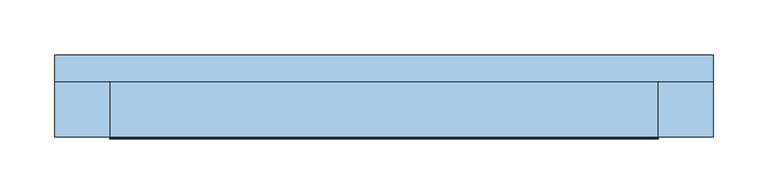
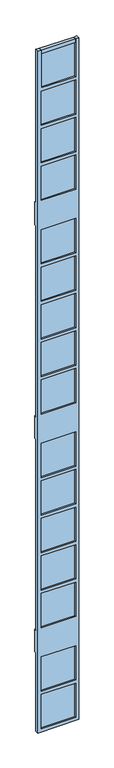
"""IFC4 building model written with IfcOpenShell, lengths in millimetres: window geometry."""

from ifc_helpers import new_model, si_unit, frame, origin, place, context, project, spatial, polyline, outline, extrude, faceted_brep, source, transform, mapped, element, save


def window_17fc544a(model_context):
    return source(origin(), model_context, "Body", "SolidModel", [
        faceted_brep([(0.0, -150.0, 15765.0), (-50.0, -150.0, 15765.0), (-50.0, -150.0, 15185.0), (-550.0, -150.0, 15185.0), (-550.0, -150.0, 15765.0), (-600.0, -150.0, 15765.0), (-600.0, -150.0, 5235.0), (0.0, -150.0, 5235.0), (-550.0, -150.0, 13975.0), (-50.0, -150.0, 13975.0), (-50.0, -150.0, 13445.0), (-550.0, -150.0, 13445.0), (-550.0, -150.0, 14025.0), (-550.0, -150.0, 14555.0), (-50.0, -150.0, 14555.0), (-50.0, -150.0, 14025.0), (-550.0, -150.0, 14605.0), (-550.0, -150.0, 15135.0), (-50.0, -150.0, 15135.0), (-50.0, -150.0, 14605.0), (-550.0, -150.0, 10675.0), (-50.0, -150.0, 10675.0), (-50.0, -150.0, 10145.0), (-550.0, -150.0, 10145.0), (-50.0, -150.0, 12465.0), (-550.0, -150.0, 12465.0), (-550.0, -150.0, 12995.0), (-50.0, -150.0, 12995.0), (-550.0, -150.0, 10725.0), (-550.0, -150.0, 11255.0), (-50.0, -150.0, 11255.0), (-50.0, -150.0, 10725.0), (-550.0, -150.0, 11305.0), (-550.0, -150.0, 11835.0), (-50.0, -150.0, 11835.0), (-50.0, -150.0, 11305.0), (-550.0, -150.0, 11885.0), (-550.0, -150.0, 12415.0), (-50.0, -150.0, 12415.0), (-50.0, -150.0, 11885.0), (-550.0, -150.0, 7375.0), (-50.0, -150.0, 7375.0), (-50.0, -150.0, 6845.0), (-550.0, -150.0, 6845.0), (-50.0, -150.0, 9165.0), (-550.0, -150.0, 9165.0), (-550.0, -150.0, 9695.0), (-50.0, -150.0, 9695.0), (-550.0, -150.0, 7425.0), (-550.0, -150.0, 7955.0), (-50.0, -150.0, 7955.0), (-50.0, -150.0, 7425.0), (-550.0, -150.0, 8005.0), (-550.0, -150.0, 8535.0), (-50.0, -150.0, 8535.0), (-50.0, -150.0, 8005.0), (-550.0, -150.0, 8585.0), (-550.0, -150.0, 9115.0), (-50.0, -150.0, 9115.0), (-50.0, -150.0, 8585.0), (-50.0, -150.0, 5865.0), (-550.0, -150.0, 5865.0), (-550.0, -150.0, 6395.0), (-50.0, -150.0, 6395.0), (-550.0, -150.0, 5285.0), (-550.0, -150.0, 5815.0), (-50.0, -150.0, 5815.0), (-50.0, -150.0, 5285.0), (-600.0, -100.0, 15765.0), (-550.0, -100.0, 15765.0), (-550.0, -100.0, 15185.0), (-50.0, -100.0, 15185.0), (-50.0, -100.0, 15765.0), (0.0, -100.0, 15765.0), (0.0, -100.0, 13395.0), (-600.0, -100.0, 13395.0), (-550.0, -100.0, 13975.0), (-550.0, -100.0, 13445.0), (-50.0, -100.0, 13445.0), (-50.0, -100.0, 13975.0), (-550.0, -100.0, 14025.0), (-50.0, -100.0, 14025.0), (-50.0, -100.0, 14555.0), (-550.0, -100.0, 14555.0), (-550.0, -100.0, 14605.0), (-50.0, -100.0, 14605.0), (-50.0, -100.0, 15135.0), (-550.0, -100.0, 15135.0), (-600.0, -75.0, 13395.0), (-600.0, -75.0, 13045.0), (-600.0, -100.0, 13045.0), (-600.0, -100.0, 10095.0), (-600.0, -75.0, 10095.0), (-600.0, -75.0, 9745.0), (-600.0, -100.0, 9745.0), (-600.0, -100.0, 6795.0), (-600.0, -75.0, 6795.0), (-600.0, -75.0, 6445.0), (-600.0, -100.0, 6445.0), (-600.0, -100.0, 5235.0), (0.0, -100.0, 5235.0), (0.0, -100.0, 6445.0), (0.0, -75.0, 6445.0), (0.0, -75.0, 6795.0), (0.0, -100.0, 6795.0), (0.0, -100.0, 9745.0), (0.0, -75.0, 9745.0), (0.0, -75.0, 10095.0), (0.0, -100.0, 10095.0), (0.0, -100.0, 13045.0), (0.0, -75.0, 13045.0), (0.0, -75.0, 13395.0), (-550.0, -100.0, 10675.0), (-550.0, -100.0, 10145.0), (-50.0, -100.0, 10145.0), (-50.0, -100.0, 10675.0), (-50.0, -100.0, 12465.0), (-50.0, -100.0, 12995.0), (-550.0, -100.0, 12995.0), (-550.0, -100.0, 12465.0), (-550.0, -100.0, 10725.0), (-50.0, -100.0, 10725.0), (-50.0, -100.0, 11255.0), (-550.0, -100.0, 11255.0), (-550.0, -100.0, 11305.0), (-50.0, -100.0, 11305.0), (-50.0, -100.0, 11835.0), (-550.0, -100.0, 11835.0), (-550.0, -100.0, 11885.0), (-50.0, -100.0, 11885.0), (-50.0, -100.0, 12415.0), (-550.0, -100.0, 12415.0), (-550.0, -100.0, 7375.0), (-550.0, -100.0, 6845.0), (-50.0, -100.0, 6845.0), (-50.0, -100.0, 7375.0), (-50.0, -100.0, 9165.0), (-50.0, -100.0, 9695.0), (-550.0, -100.0, 9695.0), (-550.0, -100.0, 9165.0), (-550.0, -100.0, 7425.0), (-50.0, -100.0, 7425.0), (-50.0, -100.0, 7955.0), (-550.0, -100.0, 7955.0), (-550.0, -100.0, 8005.0), (-50.0, -100.0, 8005.0), (-50.0, -100.0, 8535.0), (-550.0, -100.0, 8535.0), (-550.0, -100.0, 8585.0), (-50.0, -100.0, 8585.0), (-50.0, -100.0, 9115.0), (-550.0, -100.0, 9115.0), (-50.0, -100.0, 5865.0), (-50.0, -100.0, 6395.0), (-550.0, -100.0, 6395.0), (-550.0, -100.0, 5865.0), (-550.0, -100.0, 5285.0), (-50.0, -100.0, 5285.0), (-50.0, -100.0, 5815.0), (-550.0, -100.0, 5815.0)], [[[0, 1, 2, 3, 4, 5, 6, 7], [8, 9, 10, 11], [12, 13, 14, 15], [16, 17, 18, 19], [20, 21, 22, 23], [24, 25, 26, 27], [28, 29, 30, 31], [32, 33, 34, 35], [36, 37, 38, 39], [40, 41, 42, 43], [44, 45, 46, 47], [48, 49, 50, 51], [52, 53, 54, 55], [56, 57, 58, 59], [60, 61, 62, 63], [64, 65, 66, 67]], [[68, 69, 70, 71, 72, 73, 74, 75], [76, 77, 78, 79], [80, 81, 82, 83], [84, 85, 86, 87]], [[68, 75, 88, 89, 90, 91, 92, 93, 94, 95, 96, 97, 98, 99, 6, 5]], [[74, 73, 0, 7, 100, 101, 102, 103, 104, 105, 106, 107, 108, 109, 110, 111]], [[9, 8, 76, 79]], [[10, 9, 79, 78]], [[11, 10, 78, 77]], [[8, 11, 77, 76]], [[1, 0, 73, 72]], [[13, 12, 80, 83]], [[14, 13, 83, 82]], [[15, 14, 82, 81]], [[12, 15, 81, 80]], [[17, 16, 84, 87]], [[18, 17, 87, 86]], [[19, 18, 86, 85]], [[16, 19, 85, 84]], [[4, 3, 70, 69]], [[2, 1, 72, 71]], [[3, 2, 71, 70]], [[111, 110, 89, 88]], [[111, 88, 75, 74]], [[89, 110, 109, 90]], [[109, 108, 91, 90], [112, 113, 114, 115], [116, 117, 118, 119], [120, 121, 122, 123], [124, 125, 126, 127], [128, 129, 130, 131]], [[21, 20, 112, 115]], [[22, 21, 115, 114]], [[23, 22, 114, 113]], [[20, 23, 113, 112]], [[25, 24, 116, 119]], [[26, 25, 119, 118]], [[27, 26, 118, 117]], [[24, 27, 117, 116]], [[29, 28, 120, 123]], [[30, 29, 123, 122]], [[31, 30, 122, 121]], [[28, 31, 121, 120]], [[33, 32, 124, 127]], [[34, 33, 127, 126]], [[35, 34, 126, 125]], [[32, 35, 125, 124]], [[37, 36, 128, 131]], [[38, 37, 131, 130]], [[39, 38, 130, 129]], [[36, 39, 129, 128]], [[107, 106, 93, 92]], [[107, 92, 91, 108]], [[93, 106, 105, 94]], [[105, 104, 95, 94], [132, 133, 134, 135], [136, 137, 138, 139], [140, 141, 142, 143], [144, 145, 146, 147], [148, 149, 150, 151]], [[41, 40, 132, 135]], [[42, 41, 135, 134]], [[43, 42, 134, 133]], [[40, 43, 133, 132]], [[45, 44, 136, 139]], [[46, 45, 139, 138]], [[47, 46, 138, 137]], [[44, 47, 137, 136]], [[49, 48, 140, 143]], [[50, 49, 143, 142]], [[51, 50, 142, 141]], [[48, 51, 141, 140]], [[53, 52, 144, 147]], [[54, 53, 147, 146]], [[55, 54, 146, 145]], [[52, 55, 145, 144]], [[57, 56, 148, 151]], [[58, 57, 151, 150]], [[59, 58, 150, 149]], [[56, 59, 149, 148]], [[103, 102, 97, 96]], [[103, 96, 95, 104]], [[97, 102, 101, 98]], [[101, 100, 99, 98], [152, 153, 154, 155], [156, 157, 158, 159]], [[61, 60, 152, 155]], [[62, 61, 155, 154]], [[63, 62, 154, 153]], [[60, 63, 153, 152]], [[7, 6, 99, 100]], [[65, 64, 156, 159]], [[66, 65, 159, 158]], [[67, 66, 158, 157]], [[64, 67, 157, 156]], [[5, 4, 69, 68]]]),
        extrude(outline(polyline([(-50.0, -130.0), (-550.0, -130.0), (-550.0, -120.0), (-50.0, -120.0), (-50.0, -130.0)])), frame((0.0, 0.0, 13445.0), z_axis=(0.0, 0.0, 1.0), x_axis=(1.0, 0.0, 0.0)), (0.0, 0.0, 1.0), 530.0),
        extrude(outline(polyline([(-50.0, -130.0), (-550.0, -130.0), (-550.0, -120.0), (-50.0, -120.0), (-50.0, -130.0)])), frame((0.0, 0.0, 14025.0), z_axis=(0.0, 0.0, 1.0), x_axis=(1.0, 0.0, 0.0)), (0.0, 0.0, 1.0), 530.0),
        extrude(outline(polyline([(-50.0, -130.0), (-550.0, -130.0), (-550.0, -120.0), (-50.0, -120.0), (-50.0, -130.0)])), frame((0.0, 0.0, 14605.0), z_axis=(0.0, 0.0, 1.0), x_axis=(1.0, 0.0, 0.0)), (0.0, 0.0, 1.0), 530.0),
        extrude(outline(polyline([(-50.0, -130.0), (-550.0, -130.0), (-550.0, -120.0), (-50.0, -120.0), (-50.0, -130.0)])), frame((0.0, 0.0, 15185.0), z_axis=(0.0, 0.0, 1.0), x_axis=(1.0, 0.0, 0.0)), (0.0, 0.0, 1.0), 530.0),
        extrude(outline(polyline([(-50.0, -130.0), (-550.0, -130.0), (-550.0, -120.0), (-50.0, -120.0), (-50.0, -130.0)])), frame((0.0, 0.0, 10145.0), z_axis=(0.0, 0.0, 1.0), x_axis=(1.0, 0.0, 0.0)), (0.0, 0.0, 1.0), 530.0),
        extrude(outline(polyline([(-50.0, -130.0), (-550.0, -130.0), (-550.0, -120.0), (-50.0, -120.0), (-50.0, -130.0)])), frame((0.0, 0.0, 10725.0), z_axis=(0.0, 0.0, 1.0), x_axis=(1.0, 0.0, 0.0)), (0.0, 0.0, 1.0), 530.0),
        extrude(outline(polyline([(-50.0, -130.0), (-550.0, -130.0), (-550.0, -120.0), (-50.0, -120.0), (-50.0, -130.0)])), frame((0.0, 0.0, 11305.0), z_axis=(0.0, 0.0, 1.0), x_axis=(1.0, 0.0, 0.0)), (0.0, 0.0, 1.0), 530.0),
        extrude(outline(polyline([(-50.0, -130.0), (-550.0, -130.0), (-550.0, -120.0), (-50.0, -120.0), (-50.0, -130.0)])), frame((0.0, 0.0, 11885.0), z_axis=(0.0, 0.0, 1.0), x_axis=(1.0, 0.0, 0.0)), (0.0, 0.0, 1.0), 530.0),
        extrude(outline(polyline([(-50.0, -130.0), (-550.0, -130.0), (-550.0, -120.0), (-50.0, -120.0), (-50.0, -130.0)])), frame((0.0, 0.0, 12465.0), z_axis=(0.0, 0.0, 1.0), x_axis=(1.0, 0.0, 0.0)), (0.0, 0.0, 1.0), 530.0),
        extrude(outline(polyline([(-50.0, -130.0), (-550.0, -130.0), (-550.0, -120.0), (-50.0, -120.0), (-50.0, -130.0)])), frame((0.0, 0.0, 6845.0), z_axis=(0.0, 0.0, 1.0), x_axis=(1.0, 0.0, 0.0)), (0.0, 0.0, 1.0), 530.0),
        extrude(outline(polyline([(-50.0, -130.0), (-550.0, -130.0), (-550.0, -120.0), (-50.0, -120.0), (-50.0, -130.0)])), frame((0.0, 0.0, 7425.0), z_axis=(0.0, 0.0, 1.0), x_axis=(1.0, 0.0, 0.0)), (0.0, 0.0, 1.0), 530.0),
        extrude(outline(polyline([(-50.0, -130.0), (-550.0, -130.0), (-550.0, -120.0), (-50.0, -120.0), (-50.0, -130.0)])), frame((0.0, 0.0, 8005.0), z_axis=(0.0, 0.0, 1.0), x_axis=(1.0, 0.0, 0.0)), (0.0, 0.0, 1.0), 530.0),
        extrude(outline(polyline([(-50.0, -130.0), (-550.0, -130.0), (-550.0, -120.0), (-50.0, -120.0), (-50.0, -130.0)])), frame((0.0, 0.0, 8585.0), z_axis=(0.0, 0.0, 1.0), x_axis=(1.0, 0.0, 0.0)), (0.0, 0.0, 1.0), 530.0),
        extrude(outline(polyline([(-50.0, -130.0), (-550.0, -130.0), (-550.0, -120.0), (-50.0, -120.0), (-50.0, -130.0)])), frame((0.0, 0.0, 9165.0), z_axis=(0.0, 0.0, 1.0), x_axis=(1.0, 0.0, 0.0)), (0.0, 0.0, 1.0), 530.0),
        extrude(outline(polyline([(-50.0, -130.0), (-550.0, -130.0), (-550.0, -120.0), (-50.0, -120.0), (-50.0, -130.0)])), frame((0.0, 0.0, 5285.0), z_axis=(0.0, 0.0, 1.0), x_axis=(1.0, 0.0, 0.0)), (0.0, 0.0, 1.0), 530.0),
        extrude(outline(polyline([(-50.0, -130.0), (-550.0, -130.0), (-550.0, -120.0), (-50.0, -120.0), (-50.0, -130.0)])), frame((0.0, 0.0, 5865.0), z_axis=(0.0, 0.0, 1.0), x_axis=(1.0, 0.0, 0.0)), (0.0, 0.0, 1.0), 530.0),
        extrude(outline(polyline([(-50.0, -150.0), (-550.0, -150.0), (-550.0, -100.0), (-50.0, -100.0), (-50.0, -150.0)])), frame((0.0, 0.0, 15715.0), z_axis=(0.0, 0.0, 1.0), x_axis=(1.0, 0.0, 0.0)), (0.0, 0.0, 1.0), 50.0),
    ])


if __name__ == "__main__":
    model = new_model("IFC4")
    model_context = context("Model", 3, world=origin())
    ifc_project = project(units=[si_unit("LENGTHUNIT", "METRE", prefix="MILLI")], contexts=[model_context])
    site = spatial("IfcSite", under=ifc_project)
    building = spatial("IfcBuilding", under=site)
    placement = place(None, origin())
    window_shape = window_17fc544a(model_context)
    element("IfcWindow", 1, at=placement, inside=building, context=model_context, shape_type="MappedRepresentation", body=[
        mapped(window_shape, transform((0.0, 0.0, 0.0), x_axis=(1.0, 0.0, 0.0), y_axis=(0.0, 1.0, 0.0), z_axis=(0.0, 0.0, 1.0))),
    ])
    save(model, "model.ifc")
